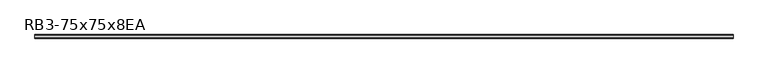
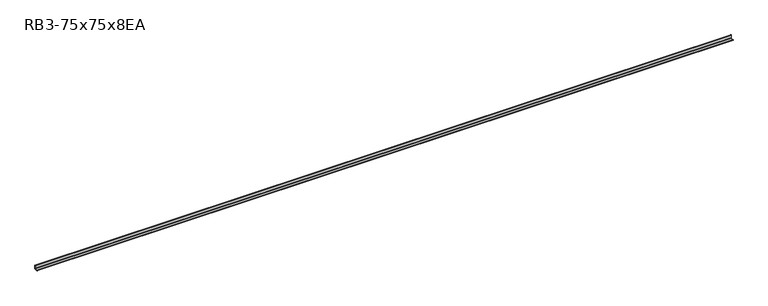
"""IFC4 building model written with IfcOpenShell, lengths in millimetres: member geometry, RB3-75x75x8EA."""

from ifc_helpers import new_model, si_unit, point, frame, frame_2d, origin, place, context, project, spatial, polyline, circle_curve, trimmed, segment, composite_curve, outline, extrude, source, transform, mapped, element, save


def rb3_75x75x8ea_e5ce27ae(model_context):
    return source(origin(), model_context, "Body", "SweptSolid", [
        extrude(outline(composite_curve([segment(polyline([(21.3, -21.3), (-53.7, -21.3), (-53.7, -18.3)]), True, "CONTINUOUS"), segment(trimmed(circle_curve(frame_2d((-48.7, -18.3)), 5.0), [point((-53.7, -18.3))], [point((-48.7, -13.3))], False, "CARTESIAN"), True, "CONTINUOUS"), segment(polyline([(-48.7, -13.3), (5.3, -13.3)]), True, "CONTINUOUS"), segment(trimmed(circle_curve(frame_2d((5.3, -5.3)), 8.0), [point((5.3, -13.3))], [point((13.3, -5.3))], True, "CARTESIAN"), True, "CONTINUOUS"), segment(polyline([(13.3, -5.3), (13.3, 48.7)]), True, "CONTINUOUS"), segment(trimmed(circle_curve(frame_2d((18.3, 48.7)), 5.0), [point((13.3, 48.7))], [point((18.3, 53.7))], False, "CARTESIAN"), True, "CONTINUOUS"), segment(polyline([(18.3, 53.7), (21.3, 53.7), (21.3, -21.3)]), True, "CONTINUOUS")], self_intersect=False)), frame((-7183.1007121, 0.0, 0.0), z_axis=(1.0, 0.0, 0.0), x_axis=(0.0, 1.0, 0.0)), (0.0, 0.0, 1.0), 14564.1007121),
    ])


if __name__ == "__main__":
    model = new_model("IFC4")
    model_context = context("Model", 3, world=origin())
    ifc_project = project(units=[si_unit("LENGTHUNIT", "METRE", prefix="MILLI")], contexts=[model_context])
    site = spatial("IfcSite", under=ifc_project)
    building = spatial("IfcBuilding", under=site)
    placement = place(None, origin())
    rb3_75x75x8ea_shape = rb3_75x75x8ea_e5ce27ae(model_context)
    element("IfcMember", 1, ObjectType="RB3-75x75x8EA", at=placement, inside=building, context=model_context, shape_type="MappedRepresentation", body=[
        mapped(rb3_75x75x8ea_shape, transform((0.0, 0.0, 0.0), x_axis=(1.0, 0.0, 0.0), y_axis=(0.0, 1.0, 0.0), z_axis=(0.0, 0.0, 1.0))),
    ])
    save(model, "model.ifc")
